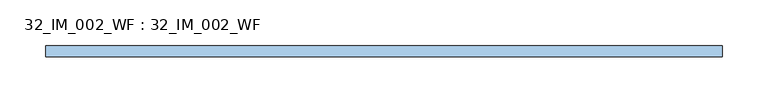
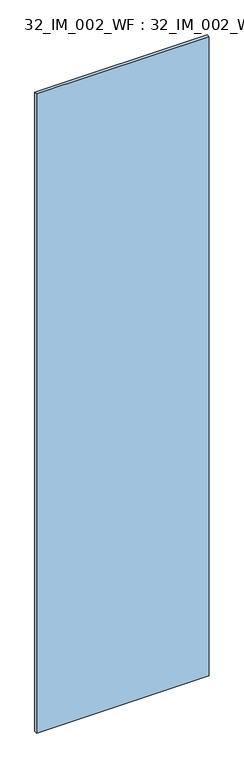
"""IFC4 building model written with IfcOpenShell, lengths in millimetres: window geometry, 32_IM_002_WF : 32_IM_002_WF."""

from ifc_helpers import new_model, si_unit, origin, origin_with_axes, place, context, project, spatial, polyline, outline, extrude, source, transform, mapped, element, save


def window_32_im_002_wf_32_im_002_wf_3759b42c(model_context):
    return source(origin(), model_context, "Body", "SweptSolid", [
        extrude(outline(polyline([(370.9999998, -6.0), (-370.9999998, -6.0), (-370.9999998, 6.0), (370.9999998, 6.0), (370.9999998, -6.0)])), origin_with_axes(), (0.0, 0.0, 1.0), 2903.0),
    ])


if __name__ == "__main__":
    model = new_model("IFC4")
    model_context = context("Model", 3, world=origin())
    ifc_project = project(units=[si_unit("LENGTHUNIT", "METRE", prefix="MILLI")], contexts=[model_context])
    site = spatial("IfcSite", under=ifc_project)
    building = spatial("IfcBuilding", under=site)
    placement = place(None, origin())
    window_32_im_002_wf_32_im_002_wf_shape = window_32_im_002_wf_32_im_002_wf_3759b42c(model_context)
    element("IfcWindow", 1, ObjectType="32_IM_002_WF : 32_IM_002_WF", at=placement, inside=building, context=model_context, shape_type="MappedRepresentation", body=[
        mapped(window_32_im_002_wf_32_im_002_wf_shape, transform((0.0, 0.0, 0.0), x_axis=(1.0, 0.0, 0.0), y_axis=(0.0, 1.0, 0.0), z_axis=(0.0, 0.0, 1.0))),
    ])
    save(model, "model.ifc")
